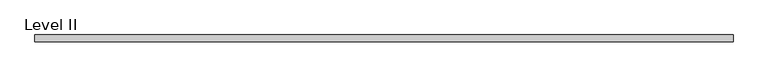
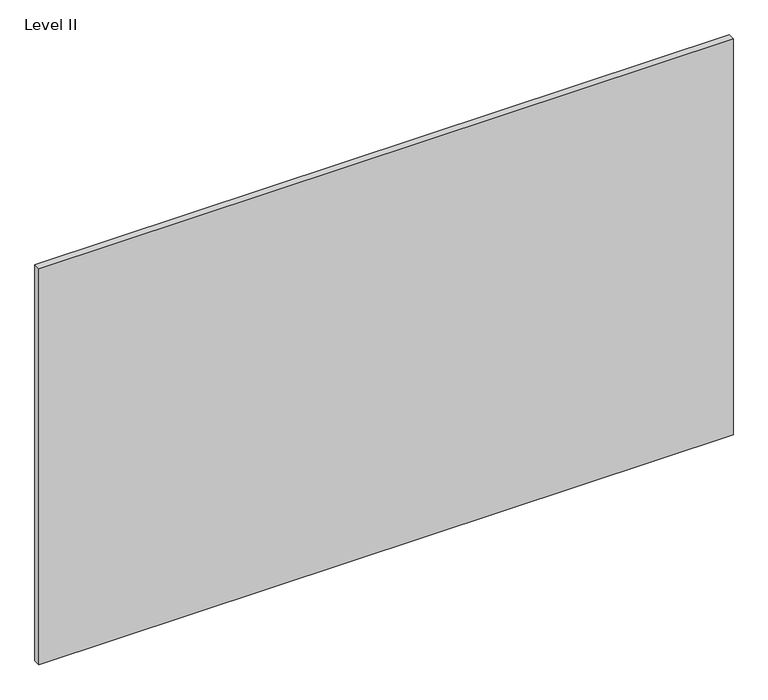
"""IFC4 building model written with IfcOpenShell, lengths in millimetres: proxy geometry, Level II."""

import ifcopenshell
import ifcopenshell.guid

model = None  # the IFC model being written
_history = None  # IfcOwnerHistory: only IFC2X3 demands one
_inside = {}  # id of a spatial element -> (the spatial element, [elements in it])
_under = {}  # id of a project, library or spatial element -> (it, [spatial elements below it])
_declared = {}  # id of a project -> (the project, [libraries it declares])
_typed = {}  # id of a type object -> (the type object, [elements of that type])
_made_of = {}  # id of a material, layer set ... -> (it, [elements and type objects made of it])


def new_model(schema):
    """Start an empty IFC model of exactly this schema.

    Asked for "IFC4X3", IfcOpenShell would pick the latest addendum, in which some entities
    have other attributes; the version numbers below select the first issue.
    IFC2X3 requires an IfcOwnerHistory on every rooted entity: one is made here for all.
    """
    global model, _history
    if schema == "IFC4X3":
        model = ifcopenshell.file(schema_version=(4, 3, 0, 0))
    else:
        model = ifcopenshell.file(schema=schema)
    _inside.clear()
    _under.clear()
    _declared.clear()
    _typed.clear()
    _made_of.clear()
    _history = None
    if model.schema == "IFC2X3":
        org = make("IfcOrganization", Name="unknown")
        user = make(
            "IfcPersonAndOrganization",
            ThePerson=make("IfcPerson", FamilyName="unknown"),
            TheOrganization=org,
        )
        app = make(
            "IfcApplication",
            ApplicationDeveloper=org,
            Version="unknown",
            ApplicationFullName="unknown",
            ApplicationIdentifier="unknown",
        )
        _history = make(
            "IfcOwnerHistory",
            OwningUser=user,
            OwningApplication=app,
            ChangeAction="ADDED",
            CreationDate=0,
        )
    return model


def make(cls, **values):
    """One entity of the class cls with the attributes given. An attribute that is None is left unset."""
    return model.create_entity(
        cls, **{name: value for name, value in values.items() if value is not None}
    )


def rooted(cls, **values):
    """An entity with a GlobalId (a new one), such as an element, a storey or a relation."""
    return make(cls, GlobalId=ifcopenshell.guid.new(), OwnerHistory=_history, **values)


def si_unit(unit_type, name, prefix=None):
    """IfcSIUnit, for example si_unit("LENGTHUNIT", "METRE", prefix="MILLI")."""
    return make("IfcSIUnit", UnitType=unit_type, Prefix=prefix, Name=name)


def assignment(units):
    """IfcUnitAssignment: the units of a project."""
    return None if units is None else make("IfcUnitAssignment", Units=units)


def point(xyz):
    """IfcCartesianPoint."""
    return None if xyz is None else make("IfcCartesianPoint", Coordinates=xyz)


def direction(xyz):
    """IfcDirection."""
    return None if xyz is None else make("IfcDirection", DirectionRatios=xyz)


def frame(location, z_axis=None, x_axis=None):
    """IfcAxis2Placement3D, a coordinate frame: its origin and axes. An axis left out is left unset."""
    return make(
        "IfcAxis2Placement3D",
        Location=point(location),
        Axis=direction(z_axis),
        RefDirection=direction(x_axis),
    )


def origin():
    """The frame at (0, 0, 0) with its axes left unset."""
    return frame((0.0, 0.0, 0.0))


def place(relative_to, where):
    """IfcLocalPlacement: puts the frame where relative to a parent placement (None: the world)."""
    return make(
        "IfcLocalPlacement", PlacementRelTo=relative_to, RelativePlacement=where
    )


def context(
    kind, dimensions, precision=None, world=None, true_north=None, identifier=None
):
    """IfcGeometricRepresentationContext, for example the 3D "Model" context."""
    return make(
        "IfcGeometricRepresentationContext",
        ContextIdentifier=identifier,
        ContextType=kind,
        CoordinateSpaceDimension=dimensions,
        Precision=precision,
        WorldCoordinateSystem=world,
        TrueNorth=true_north,
    )


def project(units=None, contexts=None):
    """IfcProject with its units and contexts."""
    return rooted(
        "IfcProject",
        Name="project",
        RepresentationContexts=contexts,
        UnitsInContext=assignment(units),
    )


def spatial(cls, under=None, at=None, **own):
    """A site, building, storey or space (cls), placed at a placement, below another one or the project."""
    s = rooted(cls, ObjectPlacement=at, **own)
    if under is not None:
        _under.setdefault(under.id(), (under, []))[1].append(s)
    return s


def polyline(points):
    """IfcPolyline through the points."""
    return make("IfcPolyline", Points=[point(p) for p in points])


def outline(outer, holes=None, kind="AREA"):
    """IfcArbitraryClosedProfileDef: a profile drawn as a closed curve; with holes, ...WithVoids."""
    if holes is None:
        return make("IfcArbitraryClosedProfileDef", ProfileType=kind, OuterCurve=outer)
    return make(
        "IfcArbitraryProfileDefWithVoids",
        ProfileType=kind,
        OuterCurve=outer,
        InnerCurves=holes,
    )


def extrude(swept, where, along, depth):
    """IfcExtrudedAreaSolid: the profile swept, set in the frame where, extruded along a direction by depth."""
    return make(
        "IfcExtrudedAreaSolid",
        SweptArea=swept,
        Position=where,
        ExtrudedDirection=direction(along),
        Depth=depth,
    )


def shape(context_of_items, identifier, shape_type, items):
    """IfcShapeRepresentation: the items that make up one representation, for example the "Body"."""
    return make(
        "IfcShapeRepresentation",
        ContextOfItems=context_of_items,
        RepresentationIdentifier=identifier,
        RepresentationType=shape_type,
        Items=items,
    )


def source(mapping_origin, context_of_items, identifier, shape_type, items):
    """IfcRepresentationMap: a shape defined once, which mapped items show again and again."""
    return make(
        "IfcRepresentationMap",
        MappingOrigin=mapping_origin,
        MappedRepresentation=shape(context_of_items, identifier, shape_type, items),
    )


def transform(
    local_origin,
    x_axis=None,
    y_axis=None,
    z_axis=None,
    scale=None,
    scale2=None,
    scale3=None,
    uniform=True,
):
    """IfcCartesianTransformationOperator3D, or its non-uniform kind. x_axis, y_axis, z_axis: its Axis1, 2, 3."""
    if uniform:
        return make(
            "IfcCartesianTransformationOperator3D",
            Axis1=direction(x_axis),
            Axis2=direction(y_axis),
            LocalOrigin=point(local_origin),
            Scale=scale,
            Axis3=direction(z_axis),
        )
    return make(
        "IfcCartesianTransformationOperator3DnonUniform",
        Axis1=direction(x_axis),
        Axis2=direction(y_axis),
        LocalOrigin=point(local_origin),
        Scale=scale,
        Axis3=direction(z_axis),
        Scale2=scale2,
        Scale3=scale3,
    )


def mapped(mapping_source, mapping_target):
    """IfcMappedItem: shows the shape of a source again, moved by a transform."""
    return make(
        "IfcMappedItem", MappingSource=mapping_source, MappingTarget=mapping_target
    )


def made_of(thing, what):
    """Note that an element or type object is made of a material, layer set ...; save() writes the relation."""
    if what is not None:
        _made_of.setdefault(what.id(), (what, []))[1].append(thing)
    return thing


def element(
    cls,
    number,
    at=None,
    inside=None,
    cuts=None,
    type_object=None,
    material=None,
    context=None,
    identifier="Body",
    shape_type=None,
    held_by="IfcProductDefinitionShape",
    body=None,
    shapes=None,
    **own,
):
    """One element of the class cls, such as IfcWall. Its Tag is "e" and its number.

    at: its placement. inside: the storey or other place that contains it. cuts: it is an
    opening in that element (IfcRelVoidsElement). A single representation is given by context,
    identifier, shape_type and body (its items); several are given by shapes. held_by: the class
    of the entity that holds the representations. save() writes the other relations.
    """
    e = rooted(cls, Tag="e%d" % number, ObjectPlacement=at, **own)
    if body is not None:
        shapes = [shape(context, identifier, shape_type, body)]
    if shapes is not None:
        e.Representation = make(held_by, Representations=shapes)
    if inside is not None:
        _inside.setdefault(inside.id(), (inside, []))[1].append(e)
    if cuts is not None:
        rooted(
            "IfcRelVoidsElement", RelatingBuildingElement=cuts, RelatedOpeningElement=e
        )
    if type_object is not None:
        _typed.setdefault(type_object.id(), (type_object, []))[1].append(e)
    return made_of(e, material)


def aggregate(whole, parts):
    """IfcRelAggregates: a whole, such as a stair, and the parts it consists of."""
    return rooted("IfcRelAggregates", RelatingObject=whole, RelatedObjects=parts)


def save(model, path):
    """Write the relations noted so far, then the file.

    IfcRelAggregates (storeys below a building ...), IfcRelContainedInSpatialStructure (elements
    in a storey), IfcRelDefinesByType, IfcRelAssociatesMaterial and IfcRelDeclares: one each for
    every whole, place, type object, material and project.
    """
    for whole, parts in _under.values():
        aggregate(whole, parts)
    for where, things in _inside.values():
        rooted(
            "IfcRelContainedInSpatialStructure",
            RelatedElements=things,
            RelatingStructure=where,
        )
    for kind, things in _typed.values():
        rooted("IfcRelDefinesByType", RelatedObjects=things, RelatingType=kind)
    for what, things in _made_of.values():
        rooted("IfcRelAssociatesMaterial", RelatedObjects=things, RelatingMaterial=what)
    for by, libraries in _declared.values():
        rooted("IfcRelDeclares", RelatingContext=by, RelatedDefinitions=libraries)
    model.write(path)


def level_ii_bdfab47d(model_context):
    return source(origin(), model_context, "Body", "SweptSolid", [
        extrude(outline(polyline([(1005.8356344, -9.525), (-1005.8356344, -9.525), (-1005.8356344, 9.525), (1005.8356344, 9.525), (1005.8356344, -9.525)])), frame((0.0, 0.0, 3.175), z_axis=(0.0, 0.0, 1.0), x_axis=(1.0, 0.0, 0.0)), (0.0, 0.0, 1.0), 1212.85),
    ])


if __name__ == "__main__":
    model = new_model("IFC4")
    model_context = context("Model", 3, world=origin())
    ifc_project = project(units=[si_unit("LENGTHUNIT", "METRE", prefix="MILLI")], contexts=[model_context])
    site = spatial("IfcSite", under=ifc_project)
    building = spatial("IfcBuilding", under=site)
    placement = place(None, origin())
    level_ii_shape = level_ii_bdfab47d(model_context)
    element("IfcBuildingElementProxy", 1, Name="Level II", ObjectType="Level II", at=placement, inside=building, context=model_context, shape_type="MappedRepresentation", body=[
        mapped(level_ii_shape, transform((0.0, 0.0, 0.0), x_axis=(1.0, 0.0, 0.0), y_axis=(0.0, 1.0, 0.0), z_axis=(0.0, 0.0, 1.0))),
    ])
    save(model, "model.ifc")
